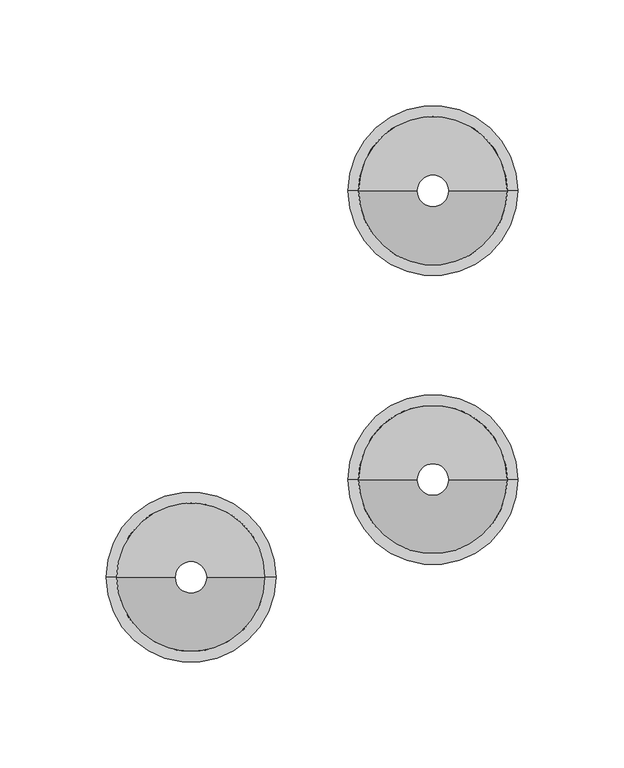
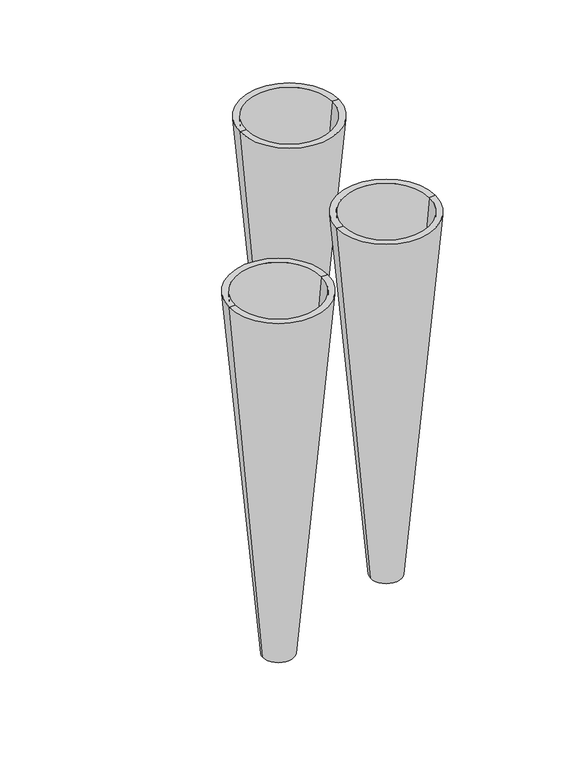
"""IFC4 building model written with IfcOpenShell, lengths in millimetres: proxy geometry."""

from ifc_helpers import new_model, si_unit, frame, origin, place, context, project, spatial, polyline, circle_curve, source, transform, mapped, element, save
from ifc_brep_helpers import plane_surface, revolved_surface, advanced_brep


def specialty_equipment_43a4a0a6(model_context):
    return source(origin(), model_context, "Body", "AdvancedBrep", [
        advanced_brep(
        [(-827.0, -136.0, 0.0), (-852.0, -136.0, 0.0), (-846.9768694, -136.0, 0.0), (-832.0231306, -136.0, 0.0), (-879.5, -136.0, 310.0), (-799.5, -136.0, 310.0), (-804.5231306, -136.0, 310.0), (-874.4768694, -136.0, 310.0)],
        [
            (0, 1, circle_curve(frame((-839.5, -136.0, 0.0), z_axis=(0.0, 0.0, -1.0), x_axis=(1.0, 0.0, 0.0)), 12.5)),
            (1, 2),
            (2, 3, circle_curve(frame((-839.5, -136.0, 0.0), z_axis=(0.0, 0.0, 1.0), x_axis=(-1.0, 0.0, 0.0)), 7.4768694)),
            (3, 0),
            (1, 0, circle_curve(frame((-839.5, -136.0, 0.0), z_axis=(0.0, 0.0, -1.0), x_axis=(1.0, 0.0, 0.0)), 12.5)),
            (3, 2, circle_curve(frame((-839.5, -136.0, 0.0), z_axis=(0.0, 0.0, 1.0), x_axis=(-1.0, 0.0, 0.0)), 7.4768694)),
            (4, 5, circle_curve(frame((-839.5, -136.0, 310.0), z_axis=(0.0, 0.0, 1.0), x_axis=(1.0, 0.0, 0.0)), 40.0)),
            (5, 6),
            (6, 7, circle_curve(frame((-839.5, -136.0, 310.0), z_axis=(0.0, 0.0, -1.0), x_axis=(-1.0, 0.0, 0.0)), 34.9768694)),
            (7, 4),
            (5, 4, circle_curve(frame((-839.5, -136.0, 310.0), z_axis=(0.0, 0.0, 1.0), x_axis=(1.0, 0.0, 0.0)), 40.0)),
            (7, 6, circle_curve(frame((-839.5, -136.0, 310.0), z_axis=(0.0, 0.0, -1.0), x_axis=(-1.0, 0.0, 0.0)), 34.9768694)),
            (0, 5),
            (4, 1),
            (3, 6),
            (7, 2),
        ],
        [
            plane_surface(frame((-839.5, -136.0, 0.0), z_axis=(0.0, 0.0, -1.0), x_axis=(1.0, 0.0, 0.0))),
            plane_surface(frame((-839.5, -136.0, 310.0), z_axis=(0.0, 0.0, 1.0), x_axis=(1.0, 0.0, 0.0))),
            revolved_surface(polyline([(-799.5, -136.0, 310.0), (-827.0, -136.0, 0.0)]), (-839.5, -136.0, 310.0), (0.0, 0.0, -1.0)),
            revolved_surface(polyline([(-846.0897726, -136.0, -10.0), (-879.3559016, -136.0, 365.0)]), (-839.5, -136.0, 310.0), (0.0, 0.0, -1.0)),
        ],
        [
            (0, [[1, 2, 3, 4]]),
            (0, [[5, -4, 6, -2]]),
            (1, [[7, 8, 9, 10]]),
            (1, [[11, -10, 12, -8]]),
            (2, [[-1, 13, -7, 14]]),
            (2, [[-5, -14, -11, -13]]),
            (3, [[15, -12, 16, -6]]),
            (3, [[-15, -3, -16, -9]]),
        ],
    ),
        advanced_brep(
        [(-827.0, -272.0, 0.0), (-852.0, -272.0, 0.0), (-846.9768694, -272.0, 0.0), (-832.0231306, -272.0, 0.0), (-879.5, -272.0, 310.0), (-799.5, -272.0, 310.0), (-804.5231306, -272.0, 310.0), (-874.4768694, -272.0, 310.0)],
        [
            (0, 1, circle_curve(frame((-839.5, -272.0, 0.0), z_axis=(0.0, 0.0, -1.0), x_axis=(1.0, 0.0, 0.0)), 12.5)),
            (1, 2),
            (2, 3, circle_curve(frame((-839.5, -272.0, 0.0), z_axis=(0.0, 0.0, 1.0), x_axis=(-1.0, 0.0, 0.0)), 7.4768694)),
            (3, 0),
            (1, 0, circle_curve(frame((-839.5, -272.0, 0.0), z_axis=(0.0, 0.0, -1.0), x_axis=(1.0, 0.0, 0.0)), 12.5)),
            (3, 2, circle_curve(frame((-839.5, -272.0, 0.0), z_axis=(0.0, 0.0, 1.0), x_axis=(-1.0, 0.0, 0.0)), 7.4768694)),
            (4, 5, circle_curve(frame((-839.5, -272.0, 310.0), z_axis=(0.0, 0.0, 1.0), x_axis=(1.0, 0.0, 0.0)), 40.0)),
            (5, 6),
            (6, 7, circle_curve(frame((-839.5, -272.0, 310.0), z_axis=(0.0, 0.0, -1.0), x_axis=(-1.0, 0.0, 0.0)), 34.9768694)),
            (7, 4),
            (5, 4, circle_curve(frame((-839.5, -272.0, 310.0), z_axis=(0.0, 0.0, 1.0), x_axis=(1.0, 0.0, 0.0)), 40.0)),
            (7, 6, circle_curve(frame((-839.5, -272.0, 310.0), z_axis=(0.0, 0.0, -1.0), x_axis=(-1.0, 0.0, 0.0)), 34.9768694)),
            (0, 5),
            (4, 1),
            (3, 6),
            (7, 2),
        ],
        [
            plane_surface(frame((-839.5, -272.0, 0.0), z_axis=(0.0, 0.0, -1.0), x_axis=(1.0, 0.0, 0.0))),
            plane_surface(frame((-839.5, -272.0, 310.0), z_axis=(0.0, 0.0, 1.0), x_axis=(1.0, 0.0, 0.0))),
            revolved_surface(polyline([(-799.5, -272.0, 310.0), (-827.0, -272.0, 0.0)]), (-839.5, -272.0, 310.0), (0.0, 0.0, -1.0)),
            revolved_surface(polyline([(-846.0897726, -272.0, -10.0), (-879.3559016, -272.0, 365.0)]), (-839.5, -272.0, 310.0), (0.0, 0.0, -1.0)),
        ],
        [
            (0, [[1, 2, 3, 4]]),
            (0, [[5, -4, 6, -2]]),
            (1, [[7, 8, 9, 10]]),
            (1, [[11, -10, 12, -8]]),
            (2, [[-1, 13, -7, 14]]),
            (2, [[-5, -14, -11, -13]]),
            (3, [[15, -12, 16, -6]]),
            (3, [[-15, -3, -16, -9]]),
        ],
    ),
        advanced_brep(
        [(-941.0, -318.0, 0.0), (-966.0, -318.0, 0.0), (-960.9768694, -318.0, 0.0), (-946.0231306, -318.0, 0.0), (-993.5, -318.0, 310.0), (-913.5, -318.0, 310.0), (-918.5231306, -318.0, 310.0), (-988.4768694, -318.0, 310.0)],
        [
            (0, 1, circle_curve(frame((-953.5, -318.0, 0.0), z_axis=(0.0, 0.0, -1.0), x_axis=(1.0, 0.0, 0.0)), 12.5)),
            (1, 2),
            (2, 3, circle_curve(frame((-953.5, -318.0, 0.0), z_axis=(0.0, 0.0, 1.0), x_axis=(-1.0, 0.0, 0.0)), 7.4768694)),
            (3, 0),
            (1, 0, circle_curve(frame((-953.5, -318.0, 0.0), z_axis=(0.0, 0.0, -1.0), x_axis=(1.0, 0.0, 0.0)), 12.5)),
            (3, 2, circle_curve(frame((-953.5, -318.0, 0.0), z_axis=(0.0, 0.0, 1.0), x_axis=(-1.0, 0.0, 0.0)), 7.4768694)),
            (4, 5, circle_curve(frame((-953.5, -318.0, 310.0), z_axis=(0.0, 0.0, 1.0), x_axis=(1.0, 0.0, 0.0)), 40.0)),
            (5, 6),
            (6, 7, circle_curve(frame((-953.5, -318.0, 310.0), z_axis=(0.0, 0.0, -1.0), x_axis=(-1.0, 0.0, 0.0)), 34.9768694)),
            (7, 4),
            (5, 4, circle_curve(frame((-953.5, -318.0, 310.0), z_axis=(0.0, 0.0, 1.0), x_axis=(1.0, 0.0, 0.0)), 40.0)),
            (7, 6, circle_curve(frame((-953.5, -318.0, 310.0), z_axis=(0.0, 0.0, -1.0), x_axis=(-1.0, 0.0, 0.0)), 34.9768694)),
            (0, 5),
            (4, 1),
            (3, 6),
            (7, 2),
        ],
        [
            plane_surface(frame((-953.5, -318.0, 0.0), z_axis=(0.0, 0.0, -1.0), x_axis=(1.0, 0.0, 0.0))),
            plane_surface(frame((-953.5, -318.0, 310.0), z_axis=(0.0, 0.0, 1.0), x_axis=(1.0, 0.0, 0.0))),
            revolved_surface(polyline([(-913.5, -318.0, 310.0), (-941.0, -318.0, 0.0)]), (-953.5, -318.0, 310.0), (0.0, 0.0, -1.0)),
            revolved_surface(polyline([(-960.0897726, -318.0, -10.0), (-993.3559016, -318.0, 365.0)]), (-953.5, -318.0, 310.0), (0.0, 0.0, -1.0)),
        ],
        [
            (0, [[1, 2, 3, 4]]),
            (0, [[5, -4, 6, -2]]),
            (1, [[7, 8, 9, 10]]),
            (1, [[11, -10, 12, -8]]),
            (2, [[-1, 13, -7, 14]]),
            (2, [[-5, -14, -11, -13]]),
            (3, [[15, -12, 16, -6]]),
            (3, [[-15, -3, -16, -9]]),
        ],
    ),
    ])


if __name__ == "__main__":
    model = new_model("IFC4")
    model_context = context("Model", 3, world=origin())
    ifc_project = project(units=[si_unit("LENGTHUNIT", "METRE", prefix="MILLI")], contexts=[model_context])
    site = spatial("IfcSite", under=ifc_project)
    building = spatial("IfcBuilding", under=site)
    placement = place(None, origin())
    specialty_equipment_shape = specialty_equipment_43a4a0a6(model_context)
    element("IfcBuildingElementProxy", 1, Name="Specialty Equipment", at=placement, inside=building, context=model_context, shape_type="MappedRepresentation", body=[
        mapped(specialty_equipment_shape, transform((0.0, 0.0, 0.0), x_axis=(1.0, 0.0, 0.0), y_axis=(0.0, 1.0, 0.0), z_axis=(0.0, 0.0, 1.0))),
    ])
    save(model, "model.ifc")
